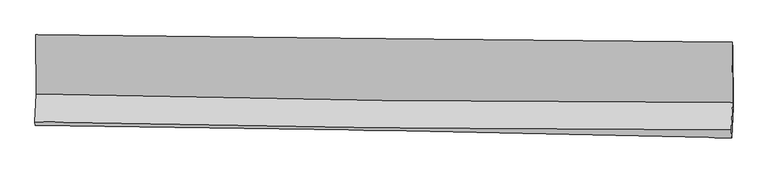
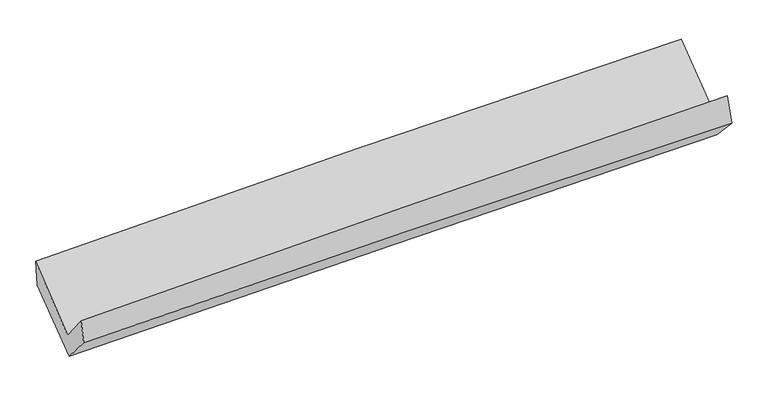
"""IFC4 building model written with IfcOpenShell, lengths in millimetres: proxy geometry."""

from ifc_helpers import new_model, si_unit, frame, origin, place, context, project, spatial, source, transform, mapped, element, save
from ifc_brep_helpers import plane_surface, spline_curve, spline_surface, advanced_brep


def generic_models_fda5a81b(model_context):
    return source(origin(), model_context, "Body", "AdvancedBrep", [
        advanced_brep(
        [(-3028.2201192, -1171.6553125, 2176.3106102), (-3023.4727523, -1686.4248134, 1750.9109898), (3014.2426787, -1760.6942496, 1899.6758304), (3009.9540325, -1235.7182202, 2312.1253261), (-3033.9841226, -1927.4654654, 2044.2929119), (3003.3519004, -1996.0606248, 2210.3985855), (-3029.1998977, -1958.5213106, 1844.6490425), (3008.4572743, -2067.8222145, 1979.2144791), (-3018.5222946, -1704.638251, 1550.8686631), (3018.8708688, -1801.7104685, 1701.3895287), (-3022.5668263, -1191.3904626, 1948.3672905), (3014.7686667, -1279.0352034, 2105.5466188)],
        [
            (0, 1),
            (1, 2, spline_curve(3, [(-3023.4727523, -1686.4248134, 1750.9109898), (-2017.631763353, -1712.774797453, 1786.602214765), (-1011.571537656, -1732.138913974, 1816.844852854), (1001.000266842, -1756.89557187, 1866.433272515), (2007.511851922, -1762.287933611, 1885.77891457), (3014.2426787, -1760.6942496, 1899.6758304)], [4, 2, 4], [0.0, 9.9083601049861, 19.81684703904301])),
            (2, 3),
            (3, 0, spline_curve(3, [(3009.9540325, -1235.7182202, 2312.1253261), (2003.223346092, -1226.711435633, 2303.201596782), (996.673604488, -1216.869427987, 2287.42172306), (-1016.051108123, -1195.515104082, 2242.149975482), (-2022.226083741, -1184.002808988, 2212.658277563), (-3028.2201192, -1171.6553125, 2176.3106102)], [4, 2, 4], [0.0, 9.908486934056912, 19.81684703904301])),
            (1, 4),
            (4, 5, spline_curve(3, [(-3033.9841226, -1927.4654654, 2044.2929119), (-2028.426644375, -1953.005630379, 2091.330925791), (-1022.539791942, -1971.491984887, 2128.692045505), (989.905540719, -1994.357218452, 2184.060851059), (1996.464029275, -1998.735917134, 2202.06828929), (3003.3519004, -1996.0606248, 2210.3985855)], [4, 2, 4], [0.0, 9.908675236854116, 19.817477306812798])),
            (5, 2),
            (4, 6),
            (6, 7, spline_curve(3, [(-3029.1998977, -1958.5213106, 1844.6490425), (-2022.986417065, -1969.801456198, 1873.009668682), (-1016.744799406, -1984.549857175, 1898.403715742), (995.807590668, -2020.983403202, 1943.258936935), (2002.118363481, -2042.668636767, 1962.720035999), (3008.4572743, -2067.8222145, 1979.2144791)], [4, 2, 4], [0.0, 9.908354697389331, 19.816836223780257])),
            (7, 5),
            (6, 8),
            (8, 9, spline_curve(3, [(-3018.5222946, -1704.638251, 1550.8686631), (-2012.448430792, -1722.322370181, 1581.622094723), (-1006.298622392, -1739.253734372, 1609.542153749), (1006.165763691, -1771.611159717, 1659.715848366), (2012.48034293, -1787.037201423, 1681.969410903), (3018.8708688, -1801.7104685, 1701.3895287)], [4, 2, 4], [0.0, 9.908278360415231, 19.816683548854925])),
            (9, 7),
            (8, 10),
            (10, 11, spline_curve(3, [(-3022.5668263, -1191.3904626, 1948.3672905), (-2016.439632586, -1215.709128349, 1973.941888436), (-1010.267964836, -1235.172174189, 1999.827379021), (1002.177198412, -1264.387211989, 2052.220480298), (2008.450695037, -1274.139079838, 2078.728099244), (3014.7686667, -1279.0352034, 2105.5466188)], [4, 2, 4], [0.0, 9.908177587279653, 19.816482001293853])),
            (11, 9),
            (10, 0),
            (3, 11),
        ],
        [
            spline_surface(3, 3, [[(-3028.2201192, -1171.6553125, 2176.3106102), (-2022.226083607, -1184.002808998, 2212.658277468), (-1016.051108123, -1195.515104064, 2242.149975528), (996.673604489, -1216.869428005, 2287.421723014), (2003.223346216, -1226.711435521, 2303.201596916), (3009.9540325, -1235.7182202, 2312.1253261)], [(-3026.637663548, -1343.245146106, 2034.510736743), (-2020.694643482, -1360.260138433, 2070.639589916), (-1014.557918004, -1374.389707404, 2100.38160131), (998.115825311, -1396.878142563, 2147.092239531), (2004.652848074, -1405.236934908, 2164.060702843), (3011.383581241, -1410.710230003, 2174.642160876)], [(-3025.055207952, -1514.834979794, 1892.710863257), (-2019.163203412, -1536.517467951, 1928.620902334), (-1013.064727886, -1553.264310784, 1958.613227058), (999.558046131, -1576.886857162, 2006.762756012), (2006.082349911, -1583.762434286, 2024.919808741), (3012.813129959, -1585.702239797, 2037.158995624)], [(-3023.4727523, -1686.4248134, 1750.9109898), (-2017.631763286, -1712.774797386, 1786.602214783), (-1011.571537767, -1732.138914123, 1816.84485284), (1001.000266953, -1756.895571721, 1866.433272529), (2007.511851768, -1762.287933672, 1885.778914668), (3014.2426787, -1760.6942496, 1899.6758304)]], [4, 4], [4, 2, 4], [0.0, 2.2465163290138133], [0.0, 9.9083601049861, 19.81684703904301]),
            spline_surface(3, 3, [[(-3023.4727523, -1686.4248134, 1750.9109898), (-2017.631763286, -1712.774797386, 1786.602214783), (-1011.571537767, -1732.138914123, 1816.84485284), (1001.000266953, -1756.895571721, 1866.433272529), (2007.511851768, -1762.287933672, 1885.778914668), (3014.2426787, -1760.6942496, 1899.6758304)], [(-3026.976542403, -1766.771697414, 1848.704963835), (-2021.230056937, -1792.851741744, 1888.178451757), (-1015.227622471, -1811.923271006, 1920.793917027), (997.302024861, -1836.049453977, 1972.309132016), (2003.829244281, -1841.103928197, 1991.208706161), (3010.612419252, -1839.149707992, 2003.250082089)], [(-3030.480332497, -1847.118581386, 1946.498937865), (-2024.82835058, -1872.928686062, 1989.754688727), (-1018.883707185, -1891.707627929, 2024.7429813), (993.603782759, -1915.203336272, 2078.18499159), (2000.146636836, -1919.919922744, 2096.638497687), (3006.982159848, -1917.605166408, 2106.824333811)], [(-3033.9841226, -1927.4654654, 2044.2929119), (-2028.426644231, -1953.005630421, 2091.330925702), (-1022.539791889, -1971.491984811, 2128.692045487), (989.905540666, -1994.357218527, 2184.060851077), (1996.464029349, -1998.735917268, 2202.06828918), (3003.3519004, -1996.0606248, 2210.3985855)]], [4, 4], [4, 2, 4], [0.0, 1.2959085093466751], [0.0, 9.908675236854116, 19.817477306812798]),
            spline_surface(3, 3, [[(-3033.9841226, -1927.4654654, 2044.2929119), (-2028.426644231, -1953.005630421, 2091.330925702), (-1022.539791889, -1971.491984811, 2128.692045487), (989.905540666, -1994.357218527, 2184.060851077), (1996.464029349, -1998.735917268, 2202.06828918), (3003.3519004, -1996.0606248, 2210.3985855)], [(-3032.389380977, -1937.81741381, 1977.744955438), (-2026.613235177, -1958.604239043, 2018.557173407), (-1020.608127727, -1975.84460898, 2051.929268873), (991.872890626, -2003.232613405, 2103.793546421), (1998.348807427, -2013.380157098, 2122.285538063), (3005.053691702, -2019.981154708, 2133.337216698)], [(-3030.794639323, -1948.16936219, 1911.196998962), (-2024.79982609, -1964.202847634, 1945.7834211), (-1018.676463505, -1980.197233098, 1975.166492221), (993.840240645, -2012.108008232, 2023.526241726), (2000.233585499, -2028.024396905, 2042.502786952), (3006.755482998, -2043.901684592, 2056.275847902)], [(-3029.1998977, -1958.5213106, 1844.6490425), (-2022.986417035, -1969.801456256, 1873.009668806), (-1016.744799342, -1984.549857267, 1898.403715607), (995.807590605, -2020.98340311, 1943.258937069), (2002.118363577, -2042.668636735, 1962.720035835), (3008.4572743, -2067.8222145, 1979.2144791)]], [4, 4], [4, 2, 4], [0.0, 0.7757604791237668], [0.0, 9.908354697389331, 19.816836223780257]),
            spline_surface(3, 3, [[(-3029.1998977, -1958.5213106, 1844.6490425), (-2022.986417035, -1969.801456256, 1873.009668806), (-1016.744799342, -1984.549857267, 1898.403715607), (995.807590605, -2020.98340311, 1943.258937069), (2002.118363577, -2042.668636735, 1962.720035835), (3008.4572743, -2067.8222145, 1979.2144791)], [(-3025.640696661, -1873.893624055, 1746.722249355), (-2019.473754911, -1887.308427603, 1775.880477421), (-1013.262740303, -1902.784483004, 1802.116528345), (999.260314947, -1937.859321928, 1848.744574123), (2005.572356715, -1957.458158225, 1869.136494219), (3011.928472472, -1979.118299141, 1886.606162312)], [(-3022.081495639, -1789.265937545, 1648.795456245), (-2015.961092804, -1804.815398984, 1678.751286071), (-1009.780681318, -1821.019108764, 1705.829341115), (1002.713039235, -1854.73524077, 1754.230211208), (2009.026349837, -1872.247679793, 1775.552952566), (3015.399670628, -1890.414383859, 1793.997845488)], [(-3018.5222946, -1704.638251, 1550.8686631), (-2012.44843068, -1722.322370331, 1581.622094687), (-1006.298622278, -1739.2537345, 1609.542153853), (1006.165763577, -1771.611159589, 1659.715848262), (2012.480342976, -1787.037201284, 1681.969410949), (3018.8708688, -1801.7104685, 1701.3895287)]], [4, 4], [4, 2, 4], [0.0, 1.2415027969149384], [0.0, 9.908278360415231, 19.816683548854925]),
            spline_surface(3, 3, [[(-3018.5222946, -1704.638251, 1550.8686631), (-2012.44843068, -1722.322370331, 1581.622094687), (-1006.298622278, -1739.2537345, 1609.542153853), (1006.165763577, -1771.611159589, 1659.715848262), (2012.480342976, -1787.037201284, 1681.969410949), (3018.8708688, -1801.7104685, 1701.3895287)], [(-3019.870471834, -1533.555654875, 1683.368205549), (-2013.778831306, -1553.451289717, 1712.395359247), (-1007.62173648, -1571.226547721, 1739.637228874), (1004.836241819, -1602.536510418, 1790.550725641), (2011.137126967, -1616.071160875, 1814.222307055), (3017.50346809, -1627.485380164, 1836.108558715)], [(-3021.218649066, -1362.473058725, 1815.867748051), (-2015.109231932, -1384.580209079, 1843.16862386), (-1008.944850603, -1403.199360912, 1869.732303898), (1003.506720139, -1433.461861217, 1921.385603021), (2009.793910988, -1445.105120374, 1946.475203216), (3016.13606741, -1453.260291736, 1970.827588785)], [(-3022.5668263, -1191.3904626, 1948.3672905), (-2016.439632559, -1215.709128466, 1973.94188842), (-1010.267964805, -1235.172174132, 1999.82737892), (1002.177198381, -1264.387212046, 2052.2204804), (2008.450694979, -1274.139079965, 2078.728099322), (3014.7686667, -1279.0352034, 2105.5466188)]], [4, 4], [4, 2, 4], [0.0, 2.0979183423625334], [0.0, 9.908177587279653, 19.816482001293853]),
            spline_surface(3, 3, [[(-3022.5668263, -1191.3904626, 1948.3672905), (-2016.439632559, -1215.709128466, 1973.94188842), (-1010.267964805, -1235.172174132, 1999.82737892), (1002.177198381, -1264.387212046, 2052.2204804), (2008.450694979, -1274.139079965, 2078.728099322), (3014.7686667, -1279.0352034, 2105.5466188)], [(-3024.451257277, -1184.812079241, 2024.348397079), (-2018.368449586, -1205.140355317, 2053.514018116), (-1012.19567922, -1221.953150784, 2080.601577805), (1000.342667108, -1248.547950706, 2130.62089462), (2006.708245401, -1258.329865143, 2153.552598529), (3013.163788643, -1264.596208992, 2174.406187909)], [(-3026.335688223, -1178.233695859, 2100.329503621), (-2020.29726658, -1194.571582147, 2133.086147773), (-1014.123393708, -1208.734127413, 2161.375776643), (998.508135762, -1232.708689344, 2209.021308793), (2004.965795794, -1242.520650344, 2228.377097709), (3011.558910557, -1250.157214608, 2243.265756991)], [(-3028.2201192, -1171.6553125, 2176.3106102), (-2022.226083607, -1184.002808998, 2212.658277468), (-1016.051108123, -1195.515104064, 2242.149975528), (996.673604489, -1216.869428005, 2287.421723014), (2003.223346216, -1226.711435521, 2303.201596916), (3009.9540325, -1235.7182202, 2312.1253261)]], [4, 4], [4, 2, 4], [0.0, 0.7965008219578178], [0.0, 9.908178032781631, 19.81648289230351]),
            plane_surface(frame((3011.6075702, -1690.1734968, 2034.7250614), z_axis=(0.9995923589622178, -0.012136984933656265, 0.025842010391396827), x_axis=(-0.006208696781362055, 0.7910707792219991, 0.6116931210544847))),
            plane_surface(frame((-3025.9943355, -1606.6826026, 1885.899918), z_axis=(-0.9995923589622048, 0.0121369849342214, -0.025842010391638696), x_axis=(0.024701335263775707, -0.08623019616810754, -0.9959689740674638))),
        ],
        [
            (0, [[1, 2, 3, 4]]),
            (1, [[5, 6, 7, -2]]),
            (2, [[8, 9, 10, -6]]),
            (3, [[11, 12, 13, -9]]),
            (4, [[14, 15, 16, -12]]),
            (5, [[17, -4, 18, -15]]),
            (6, [[-16, -18, -3, -7, -10, -13]]),
            (7, [[-17, -14, -11, -8, -5, -1]]),
        ],
    ),
    ])


if __name__ == "__main__":
    model = new_model("IFC4")
    model_context = context("Model", 3, world=origin())
    ifc_project = project(units=[si_unit("LENGTHUNIT", "METRE", prefix="MILLI")], contexts=[model_context])
    site = spatial("IfcSite", under=ifc_project)
    building = spatial("IfcBuilding", under=site)
    placement = place(None, origin())
    generic_models_shape = generic_models_fda5a81b(model_context)
    element("IfcBuildingElementProxy", 1, Name="Generic Models", at=placement, inside=building, context=model_context, shape_type="MappedRepresentation", body=[
        mapped(generic_models_shape, transform((0.0, 0.0, 0.0), x_axis=(1.0, 0.0, 0.0), y_axis=(0.0, 1.0, 0.0), z_axis=(0.0, 0.0, 1.0))),
    ])
    save(model, "model.ifc")
